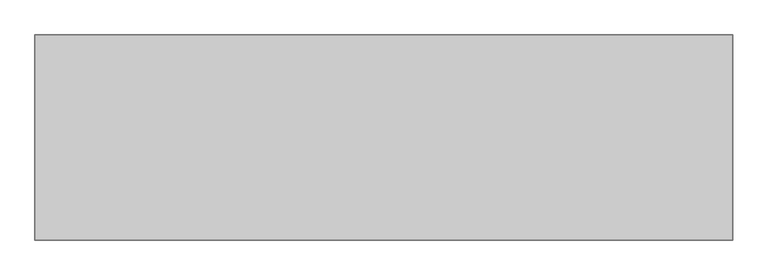
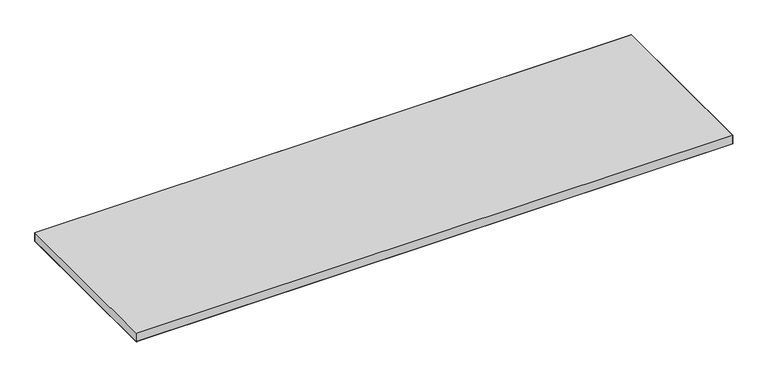
"""IFC4 building model written with IfcOpenShell, lengths in millimetres: furniture geometry."""

import ifcopenshell
import ifcopenshell.guid

model = None  # the IFC model being written
_history = None  # IfcOwnerHistory: only IFC2X3 demands one
_inside = {}  # id of a spatial element -> (the spatial element, [elements in it])
_under = {}  # id of a project, library or spatial element -> (it, [spatial elements below it])
_declared = {}  # id of a project -> (the project, [libraries it declares])
_typed = {}  # id of a type object -> (the type object, [elements of that type])
_made_of = {}  # id of a material, layer set ... -> (it, [elements and type objects made of it])


def new_model(schema):
    """Start an empty IFC model of exactly this schema.

    Asked for "IFC4X3", IfcOpenShell would pick the latest addendum, in which some entities
    have other attributes; the version numbers below select the first issue.
    IFC2X3 requires an IfcOwnerHistory on every rooted entity: one is made here for all.
    """
    global model, _history
    if schema == "IFC4X3":
        model = ifcopenshell.file(schema_version=(4, 3, 0, 0))
    else:
        model = ifcopenshell.file(schema=schema)
    _inside.clear()
    _under.clear()
    _declared.clear()
    _typed.clear()
    _made_of.clear()
    _history = None
    if model.schema == "IFC2X3":
        org = make("IfcOrganization", Name="unknown")
        user = make(
            "IfcPersonAndOrganization",
            ThePerson=make("IfcPerson", FamilyName="unknown"),
            TheOrganization=org,
        )
        app = make(
            "IfcApplication",
            ApplicationDeveloper=org,
            Version="unknown",
            ApplicationFullName="unknown",
            ApplicationIdentifier="unknown",
        )
        _history = make(
            "IfcOwnerHistory",
            OwningUser=user,
            OwningApplication=app,
            ChangeAction="ADDED",
            CreationDate=0,
        )
    return model


def make(cls, **values):
    """One entity of the class cls with the attributes given. An attribute that is None is left unset."""
    return model.create_entity(
        cls, **{name: value for name, value in values.items() if value is not None}
    )


def rooted(cls, **values):
    """An entity with a GlobalId (a new one), such as an element, a storey or a relation."""
    return make(cls, GlobalId=ifcopenshell.guid.new(), OwnerHistory=_history, **values)


def si_unit(unit_type, name, prefix=None):
    """IfcSIUnit, for example si_unit("LENGTHUNIT", "METRE", prefix="MILLI")."""
    return make("IfcSIUnit", UnitType=unit_type, Prefix=prefix, Name=name)


def assignment(units):
    """IfcUnitAssignment: the units of a project."""
    return None if units is None else make("IfcUnitAssignment", Units=units)


def point(xyz):
    """IfcCartesianPoint."""
    return None if xyz is None else make("IfcCartesianPoint", Coordinates=xyz)


def direction(xyz):
    """IfcDirection."""
    return None if xyz is None else make("IfcDirection", DirectionRatios=xyz)


def frame(location, z_axis=None, x_axis=None):
    """IfcAxis2Placement3D, a coordinate frame: its origin and axes. An axis left out is left unset."""
    return make(
        "IfcAxis2Placement3D",
        Location=point(location),
        Axis=direction(z_axis),
        RefDirection=direction(x_axis),
    )


def origin():
    """The frame at (0, 0, 0) with its axes left unset."""
    return frame((0.0, 0.0, 0.0))


def place(relative_to, where):
    """IfcLocalPlacement: puts the frame where relative to a parent placement (None: the world)."""
    return make(
        "IfcLocalPlacement", PlacementRelTo=relative_to, RelativePlacement=where
    )


def context(
    kind, dimensions, precision=None, world=None, true_north=None, identifier=None
):
    """IfcGeometricRepresentationContext, for example the 3D "Model" context."""
    return make(
        "IfcGeometricRepresentationContext",
        ContextIdentifier=identifier,
        ContextType=kind,
        CoordinateSpaceDimension=dimensions,
        Precision=precision,
        WorldCoordinateSystem=world,
        TrueNorth=true_north,
    )


def project(units=None, contexts=None):
    """IfcProject with its units and contexts."""
    return rooted(
        "IfcProject",
        Name="project",
        RepresentationContexts=contexts,
        UnitsInContext=assignment(units),
    )


def spatial(cls, under=None, at=None, **own):
    """A site, building, storey or space (cls), placed at a placement, below another one or the project."""
    s = rooted(cls, ObjectPlacement=at, **own)
    if under is not None:
        _under.setdefault(under.id(), (under, []))[1].append(s)
    return s


def point_list(points):
    """IfcCartesianPointList2D or 3D."""
    cls = (
        "IfcCartesianPointList2D" if len(points[0]) == 2 else "IfcCartesianPointList3D"
    )
    return make(cls, CoordList=points)


def triangles(points, corners, closed=None, point_numbers=None):
    """IfcTriangulatedFaceSet: each triangle names its three corners, points numbered from 1."""
    return make(
        "IfcTriangulatedFaceSet",
        Coordinates=point_list(points),
        Closed=closed,
        CoordIndex=corners,
        PnIndex=point_numbers,
    )


def shape(context_of_items, identifier, shape_type, items):
    """IfcShapeRepresentation: the items that make up one representation, for example the "Body"."""
    return make(
        "IfcShapeRepresentation",
        ContextOfItems=context_of_items,
        RepresentationIdentifier=identifier,
        RepresentationType=shape_type,
        Items=items,
    )


def source(mapping_origin, context_of_items, identifier, shape_type, items):
    """IfcRepresentationMap: a shape defined once, which mapped items show again and again."""
    return make(
        "IfcRepresentationMap",
        MappingOrigin=mapping_origin,
        MappedRepresentation=shape(context_of_items, identifier, shape_type, items),
    )


def transform(
    local_origin,
    x_axis=None,
    y_axis=None,
    z_axis=None,
    scale=None,
    scale2=None,
    scale3=None,
    uniform=True,
):
    """IfcCartesianTransformationOperator3D, or its non-uniform kind. x_axis, y_axis, z_axis: its Axis1, 2, 3."""
    if uniform:
        return make(
            "IfcCartesianTransformationOperator3D",
            Axis1=direction(x_axis),
            Axis2=direction(y_axis),
            LocalOrigin=point(local_origin),
            Scale=scale,
            Axis3=direction(z_axis),
        )
    return make(
        "IfcCartesianTransformationOperator3DnonUniform",
        Axis1=direction(x_axis),
        Axis2=direction(y_axis),
        LocalOrigin=point(local_origin),
        Scale=scale,
        Axis3=direction(z_axis),
        Scale2=scale2,
        Scale3=scale3,
    )


def mapped(mapping_source, mapping_target):
    """IfcMappedItem: shows the shape of a source again, moved by a transform."""
    return make(
        "IfcMappedItem", MappingSource=mapping_source, MappingTarget=mapping_target
    )


def made_of(thing, what):
    """Note that an element or type object is made of a material, layer set ...; save() writes the relation."""
    if what is not None:
        _made_of.setdefault(what.id(), (what, []))[1].append(thing)
    return thing


def element(
    cls,
    number,
    at=None,
    inside=None,
    cuts=None,
    type_object=None,
    material=None,
    context=None,
    identifier="Body",
    shape_type=None,
    held_by="IfcProductDefinitionShape",
    body=None,
    shapes=None,
    **own,
):
    """One element of the class cls, such as IfcWall. Its Tag is "e" and its number.

    at: its placement. inside: the storey or other place that contains it. cuts: it is an
    opening in that element (IfcRelVoidsElement). A single representation is given by context,
    identifier, shape_type and body (its items); several are given by shapes. held_by: the class
    of the entity that holds the representations. save() writes the other relations.
    """
    e = rooted(cls, Tag="e%d" % number, ObjectPlacement=at, **own)
    if body is not None:
        shapes = [shape(context, identifier, shape_type, body)]
    if shapes is not None:
        e.Representation = make(held_by, Representations=shapes)
    if inside is not None:
        _inside.setdefault(inside.id(), (inside, []))[1].append(e)
    if cuts is not None:
        rooted(
            "IfcRelVoidsElement", RelatingBuildingElement=cuts, RelatedOpeningElement=e
        )
    if type_object is not None:
        _typed.setdefault(type_object.id(), (type_object, []))[1].append(e)
    return made_of(e, material)


def aggregate(whole, parts):
    """IfcRelAggregates: a whole, such as a stair, and the parts it consists of."""
    return rooted("IfcRelAggregates", RelatingObject=whole, RelatedObjects=parts)


def save(model, path):
    """Write the relations noted so far, then the file.

    IfcRelAggregates (storeys below a building ...), IfcRelContainedInSpatialStructure (elements
    in a storey), IfcRelDefinesByType, IfcRelAssociatesMaterial and IfcRelDeclares: one each for
    every whole, place, type object, material and project.
    """
    for whole, parts in _under.values():
        aggregate(whole, parts)
    for where, things in _inside.values():
        rooted(
            "IfcRelContainedInSpatialStructure",
            RelatedElements=things,
            RelatingStructure=where,
        )
    for kind, things in _typed.values():
        rooted("IfcRelDefinesByType", RelatedObjects=things, RelatingType=kind)
    for what, things in _made_of.values():
        rooted("IfcRelAssociatesMaterial", RelatedObjects=things, RelatingMaterial=what)
    for by, libraries in _declared.values():
        rooted("IfcRelDeclares", RelatingContext=by, RelatedDefinitions=libraries)
    model.write(path)


def furniture_73b502f2(model_context):
    return source(origin(), model_context, "Body", "Tessellation", [
        triangles([(1979.6759651, -1.524, 725.4240349), (1.524, -1.524, 725.4240349), (1.524, -582.6759893, 725.4240349), (1979.6759651, -582.6759893, 725.4240349), (1979.6759651, -1.524, 695.8330359), (1979.6759651, -582.6759893, 695.8330359), (1.524, -582.6759893, 695.8330359), (1.524, -1.524, 695.8330359)], [[1, 2, 3], [1, 3, 4], [5, 6, 7], [5, 7, 8]], closed=False),
        triangles([(1.524, -1.524, 725.4240349), (1979.6759651, -1.524, 725.4240349), (1979.6759651, -1.524, 695.8330359), (1.524, -1.524, 695.8330359), (1.524, -582.6759893, 695.8330359), (1.524, -582.6759893, 725.4240349), (1979.6759651, -582.6759893, 725.4240349), (1979.6759651, -582.6759893, 695.8330359)], [[1, 2, 3], [1, 3, 4], [5, 6, 1], [5, 1, 4], [2, 7, 8], [2, 8, 3], [5, 8, 7], [5, 7, 6]], closed=False),
    ])


if __name__ == "__main__":
    model = new_model("IFC4")
    model_context = context("Model", 3, world=origin())
    ifc_project = project(units=[si_unit("LENGTHUNIT", "METRE", prefix="MILLI")], contexts=[model_context])
    site = spatial("IfcSite", under=ifc_project)
    building = spatial("IfcBuilding", under=site)
    placement = place(None, origin())
    furniture_shape = furniture_73b502f2(model_context)
    element("IfcFurniture", 1, at=placement, inside=building, context=model_context, shape_type="MappedRepresentation", body=[
        mapped(furniture_shape, transform((0.0, 0.0, 0.0), x_axis=(1.0, 0.0, 0.0), y_axis=(0.0, 1.0, 0.0), z_axis=(0.0, 0.0, 1.0))),
    ])
    save(model, "model.ifc")
